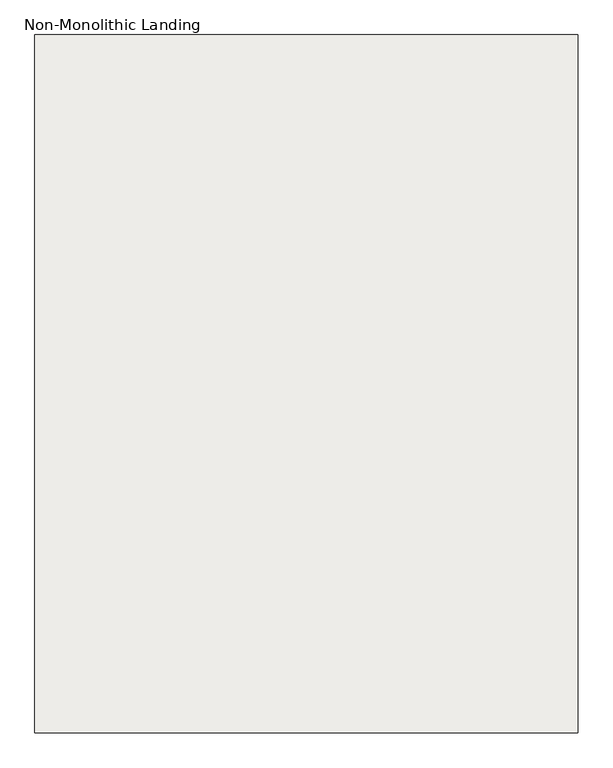
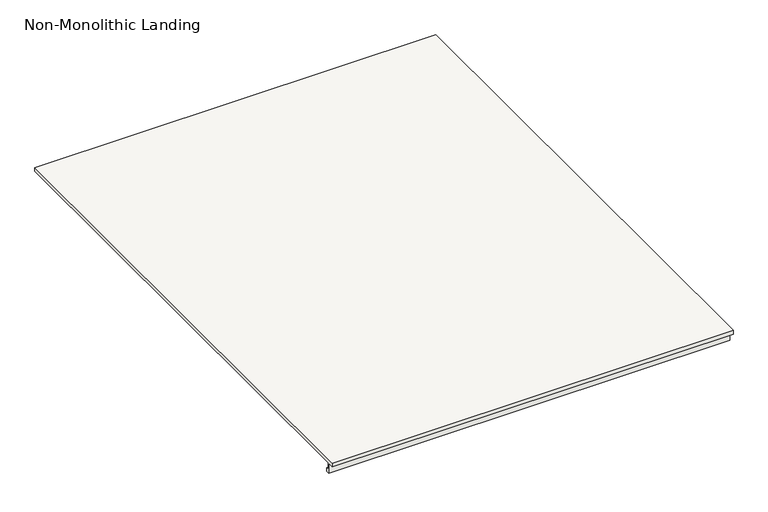
"""IFC4 building model written with IfcOpenShell, lengths in millimetres: slab geometry, Non-Monolithic Landing."""

from ifc_helpers import new_model, si_unit, frame, origin, place, context, project, spatial, polyline, outline, extrude, source, transform, mapped, element, save


def non_monolithic_landing_221748e9(model_context):
    return source(origin(), model_context, "Body", "SweptSolid", [
        extrude(outline(polyline([(5585.2704457, 3048.0), (5585.2704457, 3038.0), (4318.5648001, 3038.0), (4318.5648001, 3021.3650264), (4324.4647678, 3021.3780294), (4324.4647678, 3012.1193807), (4315.2704457, 3012.1193807), (4315.2704457, 3038.0), (4300.2704457, 3038.0), (4300.2704457, 3048.0), (5585.2704457, 3048.0)])), frame((16.5179428, 0.0, 0.0), z_axis=(1.0, 0.0, 0.0), x_axis=(0.0, 1.0, 0.0)), (0.0, 0.0, 1.0), 1000.0),
    ])


if __name__ == "__main__":
    model = new_model("IFC4")
    model_context = context("Model", 3, world=origin())
    ifc_project = project(units=[si_unit("LENGTHUNIT", "METRE", prefix="MILLI")], contexts=[model_context])
    site = spatial("IfcSite", under=ifc_project)
    building = spatial("IfcBuilding", under=site)
    placement = place(None, origin())
    non_monolithic_landing_shape = non_monolithic_landing_221748e9(model_context)
    element("IfcSlab", 1, ObjectType="Non-Monolithic Landing", at=placement, inside=building, context=model_context, shape_type="MappedRepresentation", body=[
        mapped(non_monolithic_landing_shape, transform((0.0, 0.0, 0.0), x_axis=(1.0, 0.0, 0.0), y_axis=(0.0, 1.0, 0.0), z_axis=(0.0, 0.0, 1.0))),
    ])
    save(model, "model.ifc")
